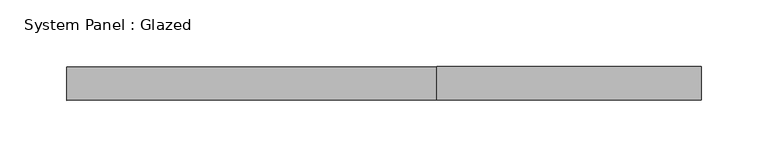
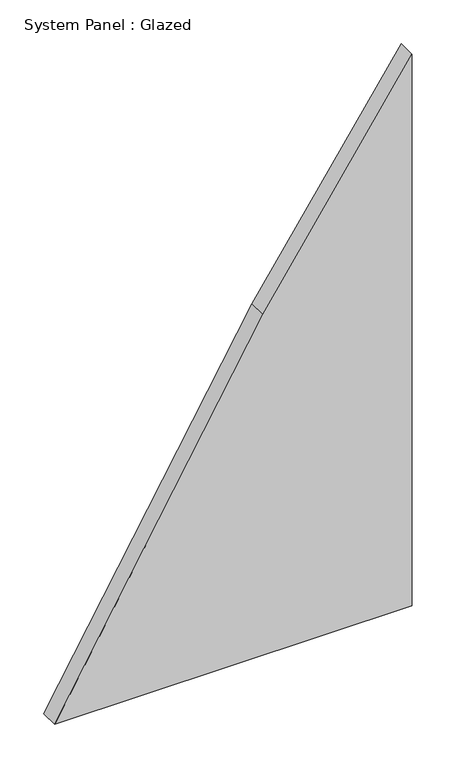
"""IFC4 building model written with IfcOpenShell, lengths in millimetres: plate geometry, System Panel : Glazed."""

from ifc_helpers import new_model, si_unit, point, frame, frame_2d, origin, place, context, project, spatial, polyline, circle_curve, trimmed, segment, composite_curve, outline, extrude, source, transform, mapped, element, save


def system_panel_glazed_0c816cff(model_context):
    return source(origin(), model_context, "Body", "SweptSolid", [
        extrude(outline(composite_curve([segment(polyline([(0.0, -236.9780421), (0.0, -2.6665378), (0.0, 236.9780421), (771.9818246, 236.9780421)]), True, "CONTINUOUS"), segment(trimmed(circle_curve(frame_2d((-3276.8533559, 5966.0573951)), 7015.3700225), [point((771.9818246, 236.9780421))], [point((477.1040628, 39.5727499))], False, "CARTESIAN"), True, "CONTINUOUS"), segment(trimmed(circle_curve(frame_2d((-3276.8533559, 5966.0573951)), 7015.3700225), [point((477.1040628, 39.5727499))], [point((0.0, -236.9780421))], False, "CARTESIAN"), True, "CONTINUOUS")], self_intersect=False)), frame((0.0, 24.5, 0.0), z_axis=(0.0, 1.0, 0.0), x_axis=(0.0, 0.0, 1.0)), (0.0, 0.0, 1.0), 25.0),
    ])


if __name__ == "__main__":
    model = new_model("IFC4")
    model_context = context("Model", 3, world=origin())
    ifc_project = project(units=[si_unit("LENGTHUNIT", "METRE", prefix="MILLI")], contexts=[model_context])
    site = spatial("IfcSite", under=ifc_project)
    building = spatial("IfcBuilding", under=site)
    placement = place(None, origin())
    system_panel_glazed_shape = system_panel_glazed_0c816cff(model_context)
    element("IfcPlate", 1, ObjectType="System Panel : Glazed", at=placement, inside=building, context=model_context, shape_type="MappedRepresentation", body=[
        mapped(system_panel_glazed_shape, transform((0.0, 0.0, 0.0), x_axis=(1.0, 0.0, 0.0), y_axis=(0.0, 1.0, 0.0), z_axis=(0.0, 0.0, 1.0))),
    ])
    save(model, "model.ifc")
